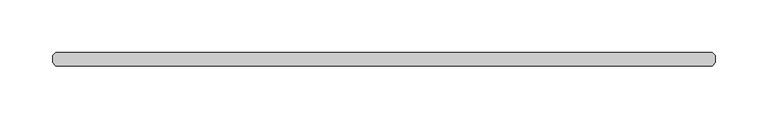
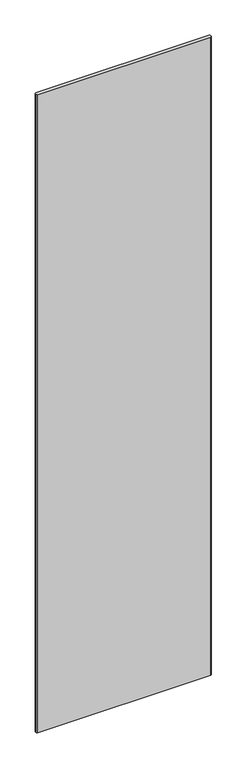
"""IFC4 building model written with IfcOpenShell, lengths in millimetres: plate geometry."""

import ifcopenshell
import ifcopenshell.guid

model = None  # the IFC model being written
_history = None  # IfcOwnerHistory: only IFC2X3 demands one
_inside = {}  # id of a spatial element -> (the spatial element, [elements in it])
_under = {}  # id of a project, library or spatial element -> (it, [spatial elements below it])
_declared = {}  # id of a project -> (the project, [libraries it declares])
_typed = {}  # id of a type object -> (the type object, [elements of that type])
_made_of = {}  # id of a material, layer set ... -> (it, [elements and type objects made of it])


def new_model(schema):
    """Start an empty IFC model of exactly this schema.

    Asked for "IFC4X3", IfcOpenShell would pick the latest addendum, in which some entities
    have other attributes; the version numbers below select the first issue.
    IFC2X3 requires an IfcOwnerHistory on every rooted entity: one is made here for all.
    """
    global model, _history
    if schema == "IFC4X3":
        model = ifcopenshell.file(schema_version=(4, 3, 0, 0))
    else:
        model = ifcopenshell.file(schema=schema)
    _inside.clear()
    _under.clear()
    _declared.clear()
    _typed.clear()
    _made_of.clear()
    _history = None
    if model.schema == "IFC2X3":
        org = make("IfcOrganization", Name="unknown")
        user = make(
            "IfcPersonAndOrganization",
            ThePerson=make("IfcPerson", FamilyName="unknown"),
            TheOrganization=org,
        )
        app = make(
            "IfcApplication",
            ApplicationDeveloper=org,
            Version="unknown",
            ApplicationFullName="unknown",
            ApplicationIdentifier="unknown",
        )
        _history = make(
            "IfcOwnerHistory",
            OwningUser=user,
            OwningApplication=app,
            ChangeAction="ADDED",
            CreationDate=0,
        )
    return model


def make(cls, **values):
    """One entity of the class cls with the attributes given. An attribute that is None is left unset."""
    return model.create_entity(
        cls, **{name: value for name, value in values.items() if value is not None}
    )


def rooted(cls, **values):
    """An entity with a GlobalId (a new one), such as an element, a storey or a relation."""
    return make(cls, GlobalId=ifcopenshell.guid.new(), OwnerHistory=_history, **values)


def si_unit(unit_type, name, prefix=None):
    """IfcSIUnit, for example si_unit("LENGTHUNIT", "METRE", prefix="MILLI")."""
    return make("IfcSIUnit", UnitType=unit_type, Prefix=prefix, Name=name)


def assignment(units):
    """IfcUnitAssignment: the units of a project."""
    return None if units is None else make("IfcUnitAssignment", Units=units)


def point(xyz):
    """IfcCartesianPoint."""
    return None if xyz is None else make("IfcCartesianPoint", Coordinates=xyz)


def direction(xyz):
    """IfcDirection."""
    return None if xyz is None else make("IfcDirection", DirectionRatios=xyz)


def frame(location, z_axis=None, x_axis=None):
    """IfcAxis2Placement3D, a coordinate frame: its origin and axes. An axis left out is left unset."""
    return make(
        "IfcAxis2Placement3D",
        Location=point(location),
        Axis=direction(z_axis),
        RefDirection=direction(x_axis),
    )


def origin():
    """The frame at (0, 0, 0) with its axes left unset."""
    return frame((0.0, 0.0, 0.0))


def origin_with_axes():
    """The frame at (0, 0, 0) with the z axis (0, 0, 1) and the x axis (1, 0, 0) written out."""
    return frame((0.0, 0.0, 0.0), z_axis=(0.0, 0.0, 1.0), x_axis=(1.0, 0.0, 0.0))


def place(relative_to, where):
    """IfcLocalPlacement: puts the frame where relative to a parent placement (None: the world)."""
    return make(
        "IfcLocalPlacement", PlacementRelTo=relative_to, RelativePlacement=where
    )


def context(
    kind, dimensions, precision=None, world=None, true_north=None, identifier=None
):
    """IfcGeometricRepresentationContext, for example the 3D "Model" context."""
    return make(
        "IfcGeometricRepresentationContext",
        ContextIdentifier=identifier,
        ContextType=kind,
        CoordinateSpaceDimension=dimensions,
        Precision=precision,
        WorldCoordinateSystem=world,
        TrueNorth=true_north,
    )


def project(units=None, contexts=None):
    """IfcProject with its units and contexts."""
    return rooted(
        "IfcProject",
        Name="project",
        RepresentationContexts=contexts,
        UnitsInContext=assignment(units),
    )


def spatial(cls, under=None, at=None, **own):
    """A site, building, storey or space (cls), placed at a placement, below another one or the project."""
    s = rooted(cls, ObjectPlacement=at, **own)
    if under is not None:
        _under.setdefault(under.id(), (under, []))[1].append(s)
    return s


def polyline(points):
    """IfcPolyline through the points."""
    return make("IfcPolyline", Points=[point(p) for p in points])


def outline(outer, holes=None, kind="AREA"):
    """IfcArbitraryClosedProfileDef: a profile drawn as a closed curve; with holes, ...WithVoids."""
    if holes is None:
        return make("IfcArbitraryClosedProfileDef", ProfileType=kind, OuterCurve=outer)
    return make(
        "IfcArbitraryProfileDefWithVoids",
        ProfileType=kind,
        OuterCurve=outer,
        InnerCurves=holes,
    )


def extrude(swept, where, along, depth):
    """IfcExtrudedAreaSolid: the profile swept, set in the frame where, extruded along a direction by depth."""
    return make(
        "IfcExtrudedAreaSolid",
        SweptArea=swept,
        Position=where,
        ExtrudedDirection=direction(along),
        Depth=depth,
    )


def shape(context_of_items, identifier, shape_type, items):
    """IfcShapeRepresentation: the items that make up one representation, for example the "Body"."""
    return make(
        "IfcShapeRepresentation",
        ContextOfItems=context_of_items,
        RepresentationIdentifier=identifier,
        RepresentationType=shape_type,
        Items=items,
    )


def source(mapping_origin, context_of_items, identifier, shape_type, items):
    """IfcRepresentationMap: a shape defined once, which mapped items show again and again."""
    return make(
        "IfcRepresentationMap",
        MappingOrigin=mapping_origin,
        MappedRepresentation=shape(context_of_items, identifier, shape_type, items),
    )


def transform(
    local_origin,
    x_axis=None,
    y_axis=None,
    z_axis=None,
    scale=None,
    scale2=None,
    scale3=None,
    uniform=True,
):
    """IfcCartesianTransformationOperator3D, or its non-uniform kind. x_axis, y_axis, z_axis: its Axis1, 2, 3."""
    if uniform:
        return make(
            "IfcCartesianTransformationOperator3D",
            Axis1=direction(x_axis),
            Axis2=direction(y_axis),
            LocalOrigin=point(local_origin),
            Scale=scale,
            Axis3=direction(z_axis),
        )
    return make(
        "IfcCartesianTransformationOperator3DnonUniform",
        Axis1=direction(x_axis),
        Axis2=direction(y_axis),
        LocalOrigin=point(local_origin),
        Scale=scale,
        Axis3=direction(z_axis),
        Scale2=scale2,
        Scale3=scale3,
    )


def mapped(mapping_source, mapping_target):
    """IfcMappedItem: shows the shape of a source again, moved by a transform."""
    return make(
        "IfcMappedItem", MappingSource=mapping_source, MappingTarget=mapping_target
    )


def made_of(thing, what):
    """Note that an element or type object is made of a material, layer set ...; save() writes the relation."""
    if what is not None:
        _made_of.setdefault(what.id(), (what, []))[1].append(thing)
    return thing


def element(
    cls,
    number,
    at=None,
    inside=None,
    cuts=None,
    type_object=None,
    material=None,
    context=None,
    identifier="Body",
    shape_type=None,
    held_by="IfcProductDefinitionShape",
    body=None,
    shapes=None,
    **own,
):
    """One element of the class cls, such as IfcWall. Its Tag is "e" and its number.

    at: its placement. inside: the storey or other place that contains it. cuts: it is an
    opening in that element (IfcRelVoidsElement). A single representation is given by context,
    identifier, shape_type and body (its items); several are given by shapes. held_by: the class
    of the entity that holds the representations. save() writes the other relations.
    """
    e = rooted(cls, Tag="e%d" % number, ObjectPlacement=at, **own)
    if body is not None:
        shapes = [shape(context, identifier, shape_type, body)]
    if shapes is not None:
        e.Representation = make(held_by, Representations=shapes)
    if inside is not None:
        _inside.setdefault(inside.id(), (inside, []))[1].append(e)
    if cuts is not None:
        rooted(
            "IfcRelVoidsElement", RelatingBuildingElement=cuts, RelatedOpeningElement=e
        )
    if type_object is not None:
        _typed.setdefault(type_object.id(), (type_object, []))[1].append(e)
    return made_of(e, material)


def aggregate(whole, parts):
    """IfcRelAggregates: a whole, such as a stair, and the parts it consists of."""
    return rooted("IfcRelAggregates", RelatingObject=whole, RelatedObjects=parts)


def save(model, path):
    """Write the relations noted so far, then the file.

    IfcRelAggregates (storeys below a building ...), IfcRelContainedInSpatialStructure (elements
    in a storey), IfcRelDefinesByType, IfcRelAssociatesMaterial and IfcRelDeclares: one each for
    every whole, place, type object, material and project.
    """
    for whole, parts in _under.values():
        aggregate(whole, parts)
    for where, things in _inside.values():
        rooted(
            "IfcRelContainedInSpatialStructure",
            RelatedElements=things,
            RelatingStructure=where,
        )
    for kind, things in _typed.values():
        rooted("IfcRelDefinesByType", RelatedObjects=things, RelatingType=kind)
    for what, things in _made_of.values():
        rooted("IfcRelAssociatesMaterial", RelatedObjects=things, RelatingMaterial=what)
    for by, libraries in _declared.values():
        rooted("IfcRelDeclares", RelatingContext=by, RelatedDefinitions=libraries)
    model.write(path)


def plate_5a0b0eaf(model_context):
    return source(origin(), model_context, "Body", "SweptSolid", [
        extrude(outline(polyline([(311.546875, 36.5125), (314.721875, 33.3375), (314.721875, 26.9875), (311.546875, 23.8125), (-311.546875, 23.8125), (-314.721875, 26.9875), (-314.721875, 33.3375), (-311.546875, 36.5125), (311.546875, 36.5125)])), origin_with_axes(), (0.0, 0.0, 1.0), 2428.7789267),
    ])


if __name__ == "__main__":
    model = new_model("IFC4")
    model_context = context("Model", 3, world=origin())
    ifc_project = project(units=[si_unit("LENGTHUNIT", "METRE", prefix="MILLI")], contexts=[model_context])
    site = spatial("IfcSite", under=ifc_project)
    building = spatial("IfcBuilding", under=site)
    placement = place(None, origin())
    plate_shape = plate_5a0b0eaf(model_context)
    element("IfcPlate", 1, at=placement, inside=building, context=model_context, shape_type="MappedRepresentation", body=[
        mapped(plate_shape, transform((0.0, 0.0, 0.0), x_axis=(1.0, 0.0, 0.0), y_axis=(0.0, 1.0, 0.0), z_axis=(0.0, 0.0, 1.0))),
    ])
    save(model, "model.ifc")
